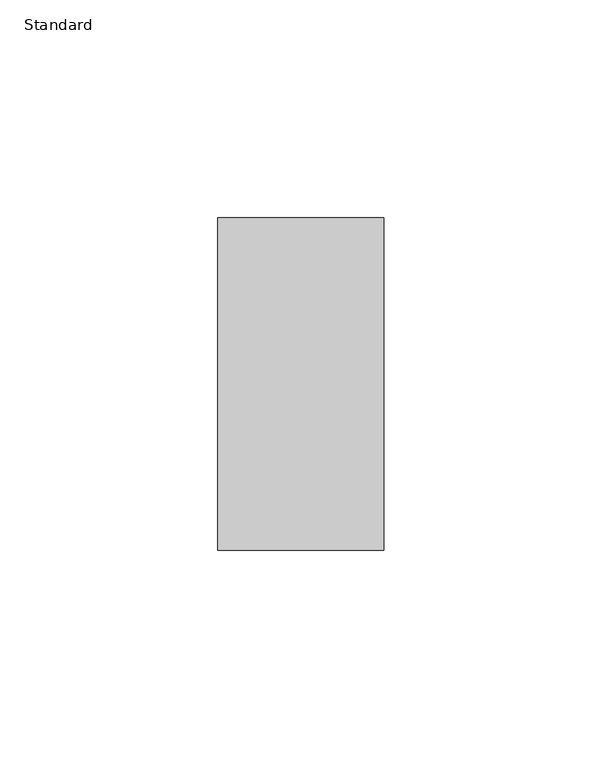
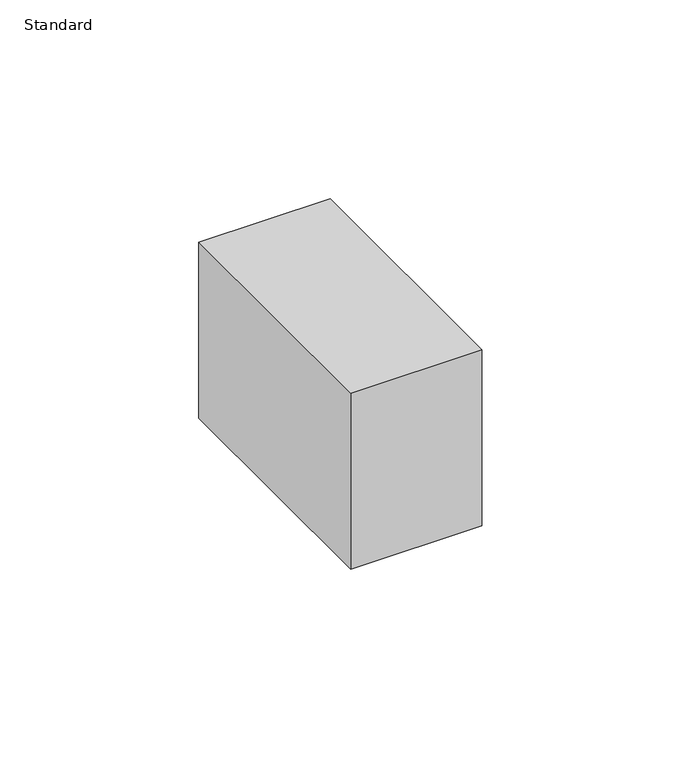
"""IFC4 building model written with IfcOpenShell, lengths in millimetres: alarm geometry, Standard."""

from ifc_helpers import new_model, si_unit, frame, origin, place, context, project, spatial, polyline, outline, extrude, source, transform, mapped, element, save


def standard_c8d49dcb(model_context):
    return source(origin(), model_context, "Body", "SweptSolid", [
        extrude(outline(polyline([(19.05, 38.1), (19.05, -38.1), (-19.05, -38.1), (-19.05, 38.1), (19.05, 38.1)])), frame((0.0, 0.0, -53.975), z_axis=(0.0, 0.0, 1.0), x_axis=(1.0, 0.0, 0.0)), (0.0, 0.0, 1.0), 53.975),
    ])


if __name__ == "__main__":
    model = new_model("IFC4")
    model_context = context("Model", 3, world=origin())
    ifc_project = project(units=[si_unit("LENGTHUNIT", "METRE", prefix="MILLI")], contexts=[model_context])
    site = spatial("IfcSite", under=ifc_project)
    building = spatial("IfcBuilding", under=site)
    placement = place(None, origin())
    standard_shape = standard_c8d49dcb(model_context)
    element("IfcAlarm", 1, ObjectType="Standard", at=placement, inside=building, context=model_context, shape_type="MappedRepresentation", body=[
        mapped(standard_shape, transform((0.0, 0.0, 0.0), x_axis=(1.0, 0.0, 0.0), y_axis=(0.0, 1.0, 0.0), z_axis=(0.0, 0.0, 1.0))),
    ])
    save(model, "model.ifc")
